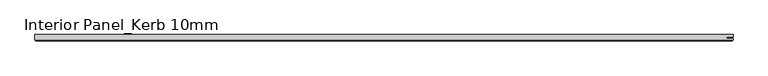
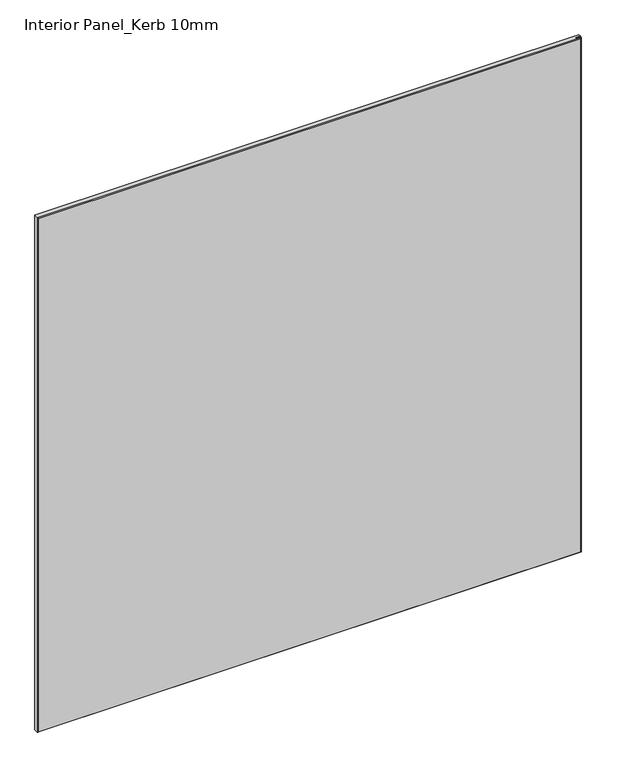
"""IFC4 building model written with IfcOpenShell, lengths in millimetres: proxy geometry, Interior Panel_Kerb 10mm."""

import ifcopenshell
import ifcopenshell.guid

model = None  # the IFC model being written
_history = None  # IfcOwnerHistory: only IFC2X3 demands one
_inside = {}  # id of a spatial element -> (the spatial element, [elements in it])
_under = {}  # id of a project, library or spatial element -> (it, [spatial elements below it])
_declared = {}  # id of a project -> (the project, [libraries it declares])
_typed = {}  # id of a type object -> (the type object, [elements of that type])
_made_of = {}  # id of a material, layer set ... -> (it, [elements and type objects made of it])


def new_model(schema):
    """Start an empty IFC model of exactly this schema.

    Asked for "IFC4X3", IfcOpenShell would pick the latest addendum, in which some entities
    have other attributes; the version numbers below select the first issue.
    IFC2X3 requires an IfcOwnerHistory on every rooted entity: one is made here for all.
    """
    global model, _history
    if schema == "IFC4X3":
        model = ifcopenshell.file(schema_version=(4, 3, 0, 0))
    else:
        model = ifcopenshell.file(schema=schema)
    _inside.clear()
    _under.clear()
    _declared.clear()
    _typed.clear()
    _made_of.clear()
    _history = None
    if model.schema == "IFC2X3":
        org = make("IfcOrganization", Name="unknown")
        user = make(
            "IfcPersonAndOrganization",
            ThePerson=make("IfcPerson", FamilyName="unknown"),
            TheOrganization=org,
        )
        app = make(
            "IfcApplication",
            ApplicationDeveloper=org,
            Version="unknown",
            ApplicationFullName="unknown",
            ApplicationIdentifier="unknown",
        )
        _history = make(
            "IfcOwnerHistory",
            OwningUser=user,
            OwningApplication=app,
            ChangeAction="ADDED",
            CreationDate=0,
        )
    return model


def make(cls, **values):
    """One entity of the class cls with the attributes given. An attribute that is None is left unset."""
    return model.create_entity(
        cls, **{name: value for name, value in values.items() if value is not None}
    )


def rooted(cls, **values):
    """An entity with a GlobalId (a new one), such as an element, a storey or a relation."""
    return make(cls, GlobalId=ifcopenshell.guid.new(), OwnerHistory=_history, **values)


def si_unit(unit_type, name, prefix=None):
    """IfcSIUnit, for example si_unit("LENGTHUNIT", "METRE", prefix="MILLI")."""
    return make("IfcSIUnit", UnitType=unit_type, Prefix=prefix, Name=name)


def assignment(units):
    """IfcUnitAssignment: the units of a project."""
    return None if units is None else make("IfcUnitAssignment", Units=units)


def point(xyz):
    """IfcCartesianPoint."""
    return None if xyz is None else make("IfcCartesianPoint", Coordinates=xyz)


def direction(xyz):
    """IfcDirection."""
    return None if xyz is None else make("IfcDirection", DirectionRatios=xyz)


def frame(location, z_axis=None, x_axis=None):
    """IfcAxis2Placement3D, a coordinate frame: its origin and axes. An axis left out is left unset."""
    return make(
        "IfcAxis2Placement3D",
        Location=point(location),
        Axis=direction(z_axis),
        RefDirection=direction(x_axis),
    )


def origin():
    """The frame at (0, 0, 0) with its axes left unset."""
    return frame((0.0, 0.0, 0.0))


def place(relative_to, where):
    """IfcLocalPlacement: puts the frame where relative to a parent placement (None: the world)."""
    return make(
        "IfcLocalPlacement", PlacementRelTo=relative_to, RelativePlacement=where
    )


def context(
    kind, dimensions, precision=None, world=None, true_north=None, identifier=None
):
    """IfcGeometricRepresentationContext, for example the 3D "Model" context."""
    return make(
        "IfcGeometricRepresentationContext",
        ContextIdentifier=identifier,
        ContextType=kind,
        CoordinateSpaceDimension=dimensions,
        Precision=precision,
        WorldCoordinateSystem=world,
        TrueNorth=true_north,
    )


def project(units=None, contexts=None):
    """IfcProject with its units and contexts."""
    return rooted(
        "IfcProject",
        Name="project",
        RepresentationContexts=contexts,
        UnitsInContext=assignment(units),
    )


def spatial(cls, under=None, at=None, **own):
    """A site, building, storey or space (cls), placed at a placement, below another one or the project."""
    s = rooted(cls, ObjectPlacement=at, **own)
    if under is not None:
        _under.setdefault(under.id(), (under, []))[1].append(s)
    return s


def faces_of(points, faces, orient=None, outer=None):
    """IfcFace entities. A face is a list of loops; a loop is a list of indices into points, from 0.

    orient and outer hold one flag for each loop. By default every Orientation is true, the
    first loop of a face is its IfcFaceOuterBound and the others are IfcFaceBound.
    """
    made = []
    for i, loops in enumerate(faces):
        bounds = []
        for j, loop in enumerate(loops):
            is_outer = j == 0 if outer is None else outer[i][j]
            bounds.append(
                make(
                    "IfcFaceOuterBound" if is_outer else "IfcFaceBound",
                    Bound=make("IfcPolyLoop", Polygon=[points[k] for k in loop]),
                    Orientation=True if orient is None else orient[i][j],
                )
            )
        made.append(make("IfcFace", Bounds=bounds))
    return made


def faceted_brep(points, faces, orient=None, outer=None, voids=None):
    """IfcFacetedBrep: a solid bounded by flat faces; with voids (closed shells), ...WithVoids."""
    shared = [point(p) for p in points]
    hull = make("IfcClosedShell", CfsFaces=faces_of(shared, faces, orient, outer))
    if voids is None:
        return make("IfcFacetedBrep", Outer=hull)
    return make(
        "IfcFacetedBrepWithVoids",
        Outer=hull,
        Voids=[
            make(cls, CfsFaces=faces_of(shared, fs, o, b)) for cls, fs, o, b in voids
        ],
    )


def shape(context_of_items, identifier, shape_type, items):
    """IfcShapeRepresentation: the items that make up one representation, for example the "Body"."""
    return make(
        "IfcShapeRepresentation",
        ContextOfItems=context_of_items,
        RepresentationIdentifier=identifier,
        RepresentationType=shape_type,
        Items=items,
    )


def source(mapping_origin, context_of_items, identifier, shape_type, items):
    """IfcRepresentationMap: a shape defined once, which mapped items show again and again."""
    return make(
        "IfcRepresentationMap",
        MappingOrigin=mapping_origin,
        MappedRepresentation=shape(context_of_items, identifier, shape_type, items),
    )


def transform(
    local_origin,
    x_axis=None,
    y_axis=None,
    z_axis=None,
    scale=None,
    scale2=None,
    scale3=None,
    uniform=True,
):
    """IfcCartesianTransformationOperator3D, or its non-uniform kind. x_axis, y_axis, z_axis: its Axis1, 2, 3."""
    if uniform:
        return make(
            "IfcCartesianTransformationOperator3D",
            Axis1=direction(x_axis),
            Axis2=direction(y_axis),
            LocalOrigin=point(local_origin),
            Scale=scale,
            Axis3=direction(z_axis),
        )
    return make(
        "IfcCartesianTransformationOperator3DnonUniform",
        Axis1=direction(x_axis),
        Axis2=direction(y_axis),
        LocalOrigin=point(local_origin),
        Scale=scale,
        Axis3=direction(z_axis),
        Scale2=scale2,
        Scale3=scale3,
    )


def mapped(mapping_source, mapping_target):
    """IfcMappedItem: shows the shape of a source again, moved by a transform."""
    return make(
        "IfcMappedItem", MappingSource=mapping_source, MappingTarget=mapping_target
    )


def made_of(thing, what):
    """Note that an element or type object is made of a material, layer set ...; save() writes the relation."""
    if what is not None:
        _made_of.setdefault(what.id(), (what, []))[1].append(thing)
    return thing


def element(
    cls,
    number,
    at=None,
    inside=None,
    cuts=None,
    type_object=None,
    material=None,
    context=None,
    identifier="Body",
    shape_type=None,
    held_by="IfcProductDefinitionShape",
    body=None,
    shapes=None,
    **own,
):
    """One element of the class cls, such as IfcWall. Its Tag is "e" and its number.

    at: its placement. inside: the storey or other place that contains it. cuts: it is an
    opening in that element (IfcRelVoidsElement). A single representation is given by context,
    identifier, shape_type and body (its items); several are given by shapes. held_by: the class
    of the entity that holds the representations. save() writes the other relations.
    """
    e = rooted(cls, Tag="e%d" % number, ObjectPlacement=at, **own)
    if body is not None:
        shapes = [shape(context, identifier, shape_type, body)]
    if shapes is not None:
        e.Representation = make(held_by, Representations=shapes)
    if inside is not None:
        _inside.setdefault(inside.id(), (inside, []))[1].append(e)
    if cuts is not None:
        rooted(
            "IfcRelVoidsElement", RelatingBuildingElement=cuts, RelatedOpeningElement=e
        )
    if type_object is not None:
        _typed.setdefault(type_object.id(), (type_object, []))[1].append(e)
    return made_of(e, material)


def aggregate(whole, parts):
    """IfcRelAggregates: a whole, such as a stair, and the parts it consists of."""
    return rooted("IfcRelAggregates", RelatingObject=whole, RelatedObjects=parts)


def save(model, path):
    """Write the relations noted so far, then the file.

    IfcRelAggregates (storeys below a building ...), IfcRelContainedInSpatialStructure (elements
    in a storey), IfcRelDefinesByType, IfcRelAssociatesMaterial and IfcRelDeclares: one each for
    every whole, place, type object, material and project.
    """
    for whole, parts in _under.values():
        aggregate(whole, parts)
    for where, things in _inside.values():
        rooted(
            "IfcRelContainedInSpatialStructure",
            RelatedElements=things,
            RelatingStructure=where,
        )
    for kind, things in _typed.values():
        rooted("IfcRelDefinesByType", RelatedObjects=things, RelatingType=kind)
    for what, things in _made_of.values():
        rooted("IfcRelAssociatesMaterial", RelatedObjects=things, RelatingMaterial=what)
    for by, libraries in _declared.values():
        rooted("IfcRelDeclares", RelatingContext=by, RelatedDefinitions=libraries)
    model.write(path)


def interior_panel_kerb_10mm_32445e4a(model_context):
    return source(origin(), model_context, "Body", "Brep", [
        faceted_brep([(990.6, 3.175, 1063.625), (-73.025, 3.175, 1063.625), (-73.025, -4.7625, 1063.625), (990.6, -4.7625, 1063.625), (990.6, -2.6543, 1063.625), (980.7773437, -2.6543, 1063.625), (980.7773437, -0.5207, 1063.625), (990.6, -0.5207, 1063.625), (990.6, 3.175, 0.0), (990.6, -0.5207, 0.0), (980.7773437, -0.5207, 0.0), (980.7773437, -2.6543, 0.0), (990.6, -2.6543, 0.0), (990.6, -4.7625, 0.0), (-73.025, -4.7625, 0.0), (-73.025, 3.175, 0.0), (-71.4375, -6.35, 1062.0375), (-71.4375, -6.35, 1.5875), (989.0125, -6.35, 1.5875), (989.0125, -6.35, 1062.0375)], [[[0, 1, 2, 3, 4, 5, 6, 7]], [[8, 9, 10, 11, 12, 13, 14, 15]], [[1, 0, 8, 15]], [[2, 1, 15, 14]], [[16, 17, 18, 19]], [[4, 3, 13, 12]], [[2, 14, 17, 16]], [[13, 3, 19, 18]], [[3, 2, 16, 19]], [[14, 13, 18, 17]], [[5, 4, 12, 11]], [[6, 5, 11, 10]], [[7, 6, 10, 9]], [[0, 7, 9, 8]]]),
    ])


if __name__ == "__main__":
    model = new_model("IFC4")
    model_context = context("Model", 3, world=origin())
    ifc_project = project(units=[si_unit("LENGTHUNIT", "METRE", prefix="MILLI")], contexts=[model_context])
    site = spatial("IfcSite", under=ifc_project)
    building = spatial("IfcBuilding", under=site)
    placement = place(None, origin())
    interior_panel_kerb_10mm_shape = interior_panel_kerb_10mm_32445e4a(model_context)
    element("IfcBuildingElementProxy", 1, Name="Interior Panel_Kerb 10mm", ObjectType="Interior Panel_Kerb 10mm", at=placement, inside=building, context=model_context, shape_type="MappedRepresentation", body=[
        mapped(interior_panel_kerb_10mm_shape, transform((0.0, 0.0, 0.0), x_axis=(1.0, 0.0, 0.0), y_axis=(0.0, 1.0, 0.0), z_axis=(0.0, 0.0, 1.0))),
    ])
    save(model, "model.ifc")
